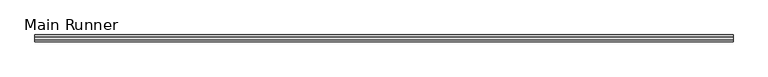
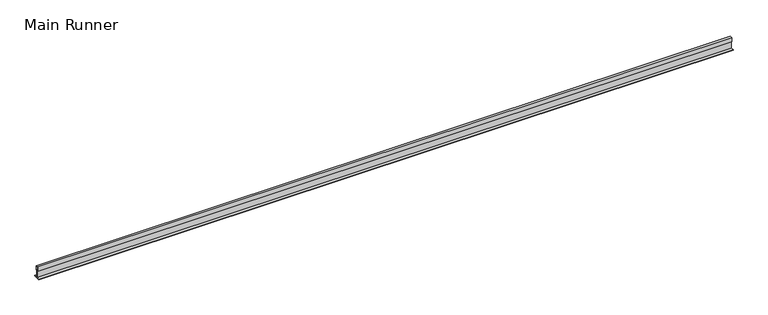
"""IFC4 building model written with IfcOpenShell, lengths in millimetres: beam geometry, Main Runner."""

from ifc_helpers import new_model, si_unit, frame, origin, place, context, project, spatial, polyline, outline, extrude, source, transform, mapped, element, save


def main_runner_336ac30c(model_context):
    return source(origin(), model_context, "Body", "SweptSolid", [
        extrude(outline(polyline([(-11.0, -2.0), (-11.0, 0.0), (-1.0, 0.0), (-1.0, 24.0), (-4.0, 24.0), (-4.0, 38.1243468), (4.0, 38.1243468), (4.0, 24.0), (1.0, 24.0), (1.0, 0.0), (11.0, 0.0), (11.0, -2.0), (0.0, -2.0), (-11.0, -2.0)]), holes=[polyline([(-3.0, 37.1243468), (-3.0, 25.0), (0.0, 25.0), (3.0169966, 25.0), (3.0169966, 37.1243468), (-3.0, 37.1243468)])]), frame((-2095.3298608, 0.0, 0.0), z_axis=(1.0, 0.0, 0.0), x_axis=(0.0, 1.0, 0.0)), (0.0, 0.0, 1.0), 2277.1034703),
    ])


if __name__ == "__main__":
    model = new_model("IFC4")
    model_context = context("Model", 3, world=origin())
    ifc_project = project(units=[si_unit("LENGTHUNIT", "METRE", prefix="MILLI")], contexts=[model_context])
    site = spatial("IfcSite", under=ifc_project)
    building = spatial("IfcBuilding", under=site)
    placement = place(None, origin())
    main_runner_shape = main_runner_336ac30c(model_context)
    element("IfcBeam", 1, ObjectType="Main Runner", at=placement, inside=building, context=model_context, shape_type="MappedRepresentation", body=[
        mapped(main_runner_shape, transform((0.0, 0.0, 0.0), x_axis=(1.0, 0.0, 0.0), y_axis=(0.0, 1.0, 0.0), z_axis=(0.0, 0.0, 1.0))),
    ])
    save(model, "model.ifc")
